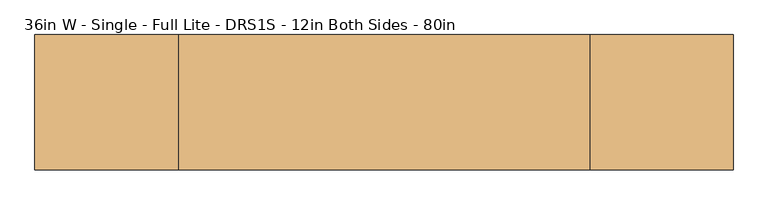
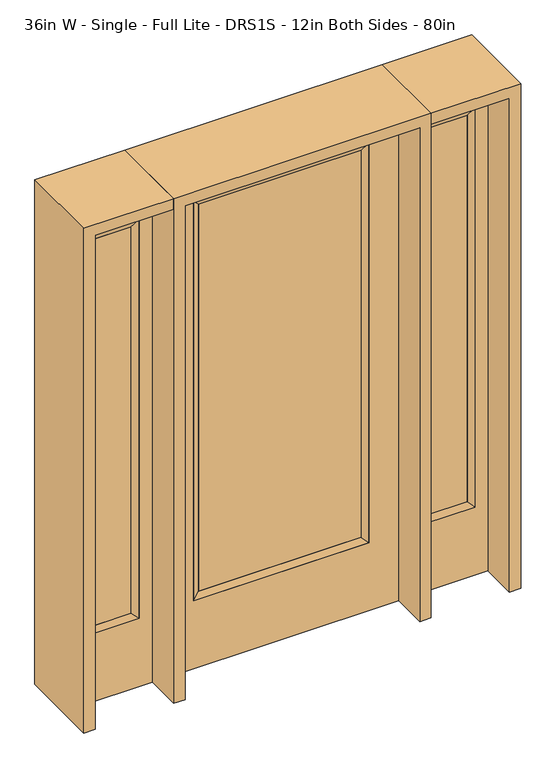
"""IFC4 building model written with IfcOpenShell, lengths in millimetres: door geometry, 36in W - Single - Full Lite - DRS1S - 12in Both Sides - 80in."""

from ifc_helpers import new_model, si_unit, frame, origin, place, context, project, spatial, polyline, outline, extrude, faceted_brep, source, transform, mapped, element, save


def door_36in_w_single_full_lite_drs1s_12in_both_sides_80in_1696e035(model_context):
    return source(origin(), model_context, "Body", "SolidModel", [
        extrude(outline(polyline([(316.3824, -12.7039749), (-316.3824, -12.7039749), (-316.3824, 14.2875), (316.3824, 14.2875), (316.3824, -12.7039749)])), frame((0.0, 0.0, 304.8), z_axis=(0.0, 0.0, 1.0), x_axis=(1.0, 0.0, 0.0)), (0.0, 0.0, 1.0), 1591.1576),
        faceted_brep([(316.3824, 14.2875, 1895.9576), (341.7824, 22.225, 1921.3576), (341.7824, 22.225, 279.4), (316.3824, 14.2875, 304.8), (341.7824, -22.225, 1921.3576), (341.7824, -22.225, 279.4), (-341.7824, 22.225, 279.4), (-316.3824, 14.2875, 304.8), (316.3824, -12.7039749, 1895.9576), (316.3824, -12.7039749, 304.8), (-316.3824, -12.7039749, 304.8), (-341.7824, -22.225, 279.4), (-341.7824, 22.225, 1921.3576), (-316.3824, 14.2875, 1895.9576), (-316.3824, -12.7039749, 1895.9576), (-341.7824, -22.225, 1921.3576)], [[[0, 1, 2, 3]], [[1, 4, 5, 2]], [[3, 2, 6, 7]], [[8, 0, 3, 9]], [[9, 3, 7, 10]], [[4, 8, 9, 5]], [[5, 9, 10, 11]], [[2, 5, 11, 6]], [[7, 6, 12, 13]], [[10, 7, 13, 14]], [[11, 10, 14, 15]], [[6, 11, 15, 12]], [[13, 12, 1, 0]], [[14, 13, 0, 8]], [[15, 14, 8, 4]], [[12, 15, 4, 1]]]),
        extrude(outline(polyline([(0.0, -457.2), (0.0, 457.2), (2032.0, 457.2), (2032.0, -457.2), (0.0, -457.2)]), holes=[polyline([(279.4, -341.7824), (1921.3576, -341.7824), (1921.3576, 341.7824), (279.4, 341.7824), (279.4, -341.7824)])]), frame((0.0, -22.225, 0.0), z_axis=(0.0, 1.0, 0.0), x_axis=(0.0, 0.0, 1.0)), (0.0, 0.0, 1.0), 44.45),
        faceted_brep([(552.45, 20.6375, 1920.875), (552.45, 20.6375, 279.4), (552.45, -20.6375, 279.4), (552.45, -20.6375, 1920.875), (577.85, -12.7, 304.8), (577.85, -12.7, 1895.475), (755.65, 20.6375, 279.4), (755.65, -20.6375, 279.4), (577.85, 12.7, 1895.475), (577.85, 12.7, 304.8), (730.25, 12.7, 304.8), (730.25, -12.7, 304.8), (755.65, 20.6375, 1920.875), (755.65, -20.6375, 1920.875), (730.25, 12.7, 1895.475), (730.25, -12.7, 1895.475)], [[[0, 1, 2, 3]], [[3, 2, 4, 5]], [[1, 6, 7, 2]], [[8, 9, 1, 0]], [[9, 10, 6, 1]], [[5, 4, 9, 8]], [[4, 11, 10, 9]], [[2, 7, 11, 4]], [[6, 12, 13, 7]], [[10, 14, 12, 6]], [[11, 15, 14, 10]], [[7, 13, 15, 11]], [[12, 0, 3, 13]], [[14, 8, 0, 12]], [[15, 5, 8, 14]], [[13, 3, 5, 15]]]),
        extrude(outline(polyline([(0.0, 806.45), (2032.0, 806.45), (2032.0, 501.65), (0.0, 501.65), (0.0, 806.45)]), holes=[polyline([(1920.875, 552.45), (1920.875, 755.65), (279.4, 755.65), (279.4, 552.45), (1920.875, 552.45)])]), frame((0.0, -20.6375, 0.0), z_axis=(0.0, 1.0, 0.0), x_axis=(0.0, 0.0, 1.0)), (0.0, 0.0, 1.0), 41.275),
        extrude(outline(polyline([(577.85, -12.7), (577.85, 12.7), (730.25, 12.7), (730.25, -12.7), (577.85, -12.7)])), frame((0.0, 0.0, 304.8), z_axis=(0.0, 0.0, 1.0), x_axis=(1.0, 0.0, 0.0)), (0.0, 0.0, 1.0), 1590.675),
        faceted_brep([(-552.45, 20.6375, 1920.875), (-552.45, -20.6375, 1920.875), (-552.45, -20.6375, 279.4), (-552.45, 20.6375, 279.4), (-577.85, -12.7, 1895.475), (-577.85, -12.7, 304.8), (-755.65, -20.6375, 279.4), (-755.65, 20.6375, 279.4), (-577.85, 12.7, 1895.475), (-577.85, 12.7, 304.8), (-730.25, 12.7, 304.8), (-730.25, -12.7, 304.8), (-755.65, -20.6375, 1920.875), (-755.65, 20.6375, 1920.875), (-730.25, 12.7, 1895.475), (-730.25, -12.7, 1895.475)], [[[0, 1, 2, 3]], [[1, 4, 5, 2]], [[3, 2, 6, 7]], [[8, 0, 3, 9]], [[9, 3, 7, 10]], [[4, 8, 9, 5]], [[5, 9, 10, 11]], [[2, 5, 11, 6]], [[7, 6, 12, 13]], [[10, 7, 13, 14]], [[11, 10, 14, 15]], [[6, 11, 15, 12]], [[13, 12, 1, 0]], [[14, 13, 0, 8]], [[15, 14, 8, 4]], [[12, 15, 4, 1]]]),
        extrude(outline(polyline([(0.0, -806.45), (0.0, -501.65), (2032.0, -501.65), (2032.0, -806.45), (0.0, -806.45)]), holes=[polyline([(1920.875, -552.45), (279.4, -552.45), (279.4, -755.65), (1920.875, -755.65), (1920.875, -552.45)])]), frame((0.0, -20.6375, 0.0), z_axis=(0.0, 1.0, 0.0), x_axis=(0.0, 0.0, 1.0)), (0.0, 0.0, 1.0), 41.275),
        extrude(outline(polyline([(-577.85, -12.7), (-730.25, -12.7), (-730.25, 12.7), (-577.85, 12.7), (-577.85, -12.7)])), frame((0.0, 0.0, 304.8), z_axis=(0.0, 0.0, 1.0), x_axis=(1.0, 0.0, 0.0)), (0.0, 0.0, 1.0), 1590.675),
        extrude(outline(polyline([(2032.0, -501.65), (2076.45, -501.65), (2076.45, -850.9), (0.0, -850.9), (0.0, -806.45), (2032.0, -806.45), (2032.0, -501.65)])), frame((0.0, -165.1, 0.0), z_axis=(0.0, 1.0, 0.0), x_axis=(0.0, 0.0, 1.0)), (0.0, 0.0, 1.0), 330.2),
        extrude(outline(polyline([(2076.45, -501.65), (0.0, -501.65), (0.0, -457.2), (2032.0, -457.2), (2032.0, 457.2), (0.0, 457.2), (0.0, 501.65), (2076.45, 501.65), (2076.45, -501.65)])), frame((0.0, -165.1, 0.0), z_axis=(0.0, 1.0, 0.0), x_axis=(0.0, 0.0, 1.0)), (0.0, 0.0, 1.0), 330.2),
        extrude(outline(polyline([(0.0, 806.45), (0.0, 850.9), (2076.45, 850.9), (2076.45, 501.65), (2032.0, 501.65), (2032.0, 806.45), (0.0, 806.45)])), frame((0.0, -165.1, 0.0), z_axis=(0.0, 1.0, 0.0), x_axis=(0.0, 0.0, 1.0)), (0.0, 0.0, 1.0), 330.2),
    ])


if __name__ == "__main__":
    model = new_model("IFC4")
    model_context = context("Model", 3, world=origin())
    ifc_project = project(units=[si_unit("LENGTHUNIT", "METRE", prefix="MILLI")], contexts=[model_context])
    site = spatial("IfcSite", under=ifc_project)
    building = spatial("IfcBuilding", under=site)
    placement = place(None, origin())
    door_36in_w_single_full_lite_drs1s_12in_both_sides_80in_shape = door_36in_w_single_full_lite_drs1s_12in_both_sides_80in_1696e035(model_context)
    element("IfcDoor", 1, ObjectType="36in W - Single - Full Lite - DRS1S - 12in Both Sides - 80in", at=placement, inside=building, context=model_context, shape_type="MappedRepresentation", body=[
        mapped(door_36in_w_single_full_lite_drs1s_12in_both_sides_80in_shape, transform((0.0, 0.0, 0.0), x_axis=(1.0, 0.0, 0.0), y_axis=(0.0, 1.0, 0.0), z_axis=(0.0, 0.0, 1.0))),
    ])
    save(model, "model.ifc")
